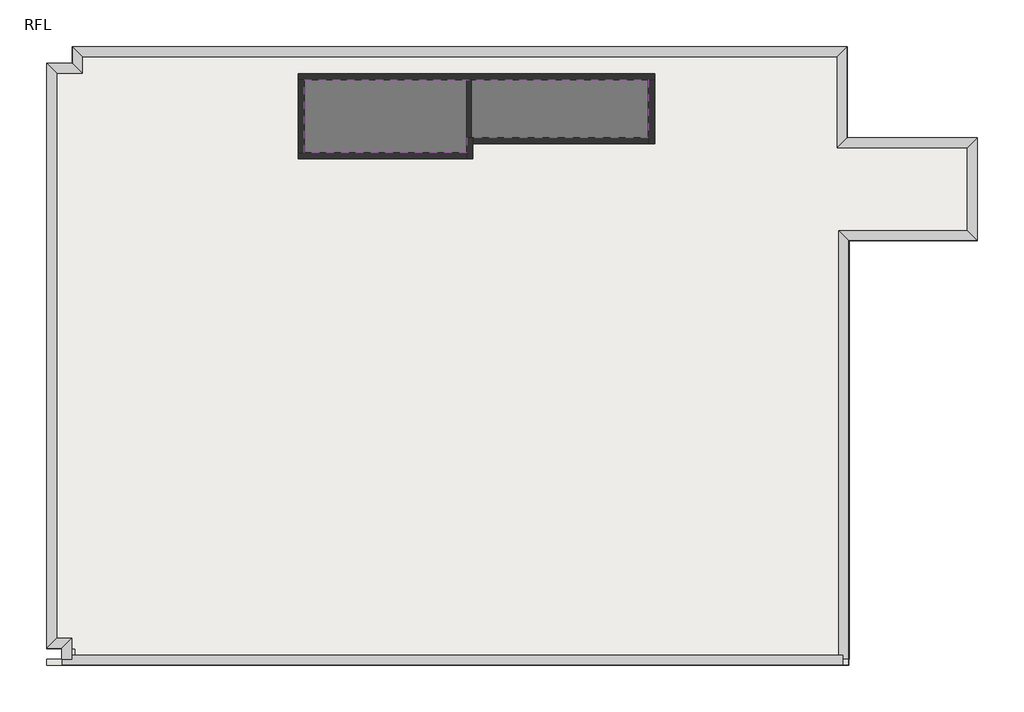
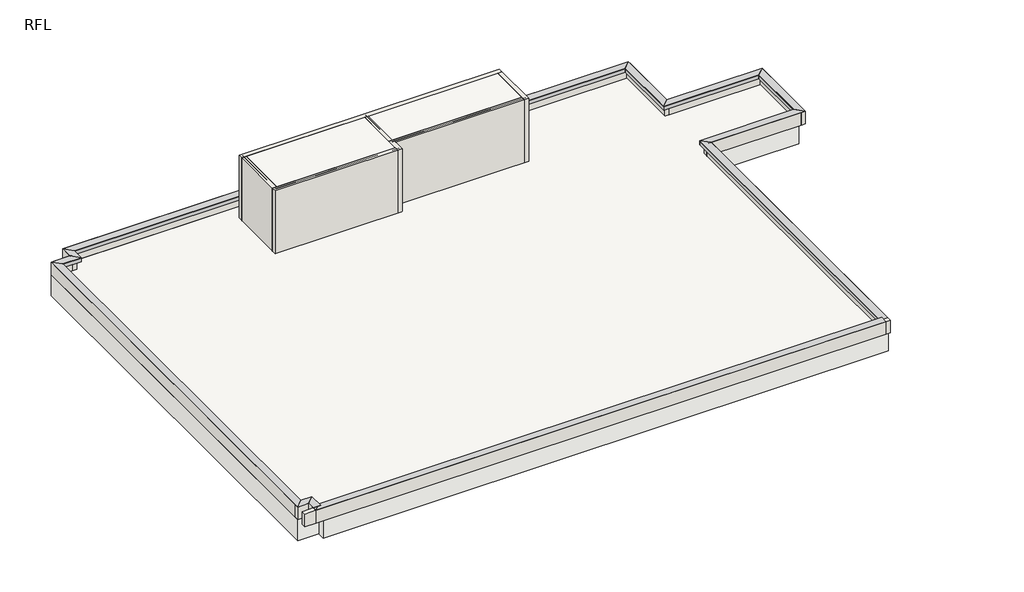
# One storey: 26 proxies, 20 walls, 2 slabs.
"""IFC4 building model written with IfcOpenShell, lengths in millimetres."""

from ifc_helpers import new_model, si_unit, frame, origin, place, context, project, spatial, polyline, outline, extrude, faceted_brep, element, save

model = new_model("IFC4")

# Units and contexts
model_context = context("Model", 3, world=origin())
ifc_project = project(units=[si_unit("LENGTHUNIT", "METRE", prefix="MILLI")], contexts=[model_context])

# Site, building, storey
site = spatial("IfcSite", under=ifc_project)
building = spatial("IfcBuilding", under=site)
storey = spatial("IfcBuildingStorey", under=building, Name="RFL", Elevation=32600.0)

# Proxies
placement = place(None, origin())
element("IfcBuildingElementProxy", 1, Name="Mass", at=placement, inside=storey, context=model_context, shape_type="SweptSolid", body=[
    extrude(outline(polyline([(-15395.9784025, 15749.6868987), (-15395.9784025, 13149.6868987), (-20945.9784025, 13149.6868987), (-20945.9784025, 15749.6868987), (-15395.9784025, 15749.6868987)])), frame((0.0, 0.0, 32600.0), z_axis=(0.0, 0.0, 1.0), x_axis=(1.0, 0.0, 0.0)), (0.0, 0.0, 1.0), 3000.0),
])
element("IfcBuildingElementProxy", 2, Name="Mass", at=placement, inside=storey, context=model_context, shape_type="SweptSolid", body=[
    extrude(outline(polyline([(-9395.9784025, 15749.6868987), (-9395.9784025, 13649.6868987), (-15395.9784025, 13649.6868987), (-15395.9784025, 15749.6868987), (-9395.9784025, 15749.6868987)])), frame((0.0, 0.0, 32600.0), z_axis=(0.0, 0.0, 1.0), x_axis=(1.0, 0.0, 0.0)), (0.0, 0.0, 1.0), 3000.0),
])
element("IfcBuildingElementProxy", 3, Name="Reveals", at=placement, inside=storey, context=model_context, shape_type="Brep", body=[
    faceted_brep([(-28165.9784025, 16419.6868987, 33170.0), (-28165.9784025, 16419.6868987, 33200.0), (-28495.9784025, 16749.6868987, 33200.0), (-3275.9784025, 16419.6868987, 33170.0), (-2945.9784025, 16749.6868987, 33200.0), (-3275.9784025, 16419.6868987, 33200.0)], [[[0, 1, 2]], [[3, 4, 5]], [[1, 0, 3, 5]], [[2, 1, 5, 4]], [[0, 2, 4, 3]]]),
])
element("IfcBuildingElementProxy", 4, Name="Wall Sweeps", at=placement, inside=storey, context=model_context, shape_type="Brep", body=[
    faceted_brep([(-28165.9784025, 16419.6868987, 33010.0), (-28165.9784025, 16419.6868987, 33170.0), (-28495.9784025, 16749.6868987, 33200.0), (-28295.9784025, 16549.6868987, 33010.0), (-3275.9784025, 16419.6868987, 33010.0), (-3145.9784025, 16549.6868987, 33010.0), (-2945.9784025, 16749.6868987, 33200.0), (-3275.9784025, 16419.6868987, 33170.0)], [[[0, 1, 2, 3]], [[4, 5, 6, 7]], [[1, 0, 4, 7]], [[2, 1, 7, 6]], [[3, 2, 6, 5]], [[0, 3, 5, 4]]]),
])
element("IfcBuildingElementProxy", 5, Name="Reveals", at=placement, inside=storey, context=model_context, shape_type="Brep", body=[
    faceted_brep([(-3275.9784025, 16419.6868987, 33170.0), (-3275.9784025, 16419.6868987, 33200.0), (-2945.9784025, 16749.6868987, 33200.0), (-3275.9784025, 13419.6868987, 33170.0), (-2945.9784025, 13749.6868987, 33200.0), (-3275.9784025, 13419.6868987, 33200.0)], [[[0, 1, 2]], [[3, 4, 5]], [[1, 0, 3, 5]], [[2, 1, 5, 4]], [[0, 2, 4, 3]]]),
])
element("IfcBuildingElementProxy", 6, Name="Wall Sweeps", at=placement, inside=storey, context=model_context, shape_type="Brep", body=[
    faceted_brep([(-3275.9784025, 16419.6868987, 33010.0), (-3275.9784025, 16419.6868987, 33170.0), (-2945.9784025, 16749.6868987, 33200.0), (-3145.9784025, 16549.6868987, 33010.0), (-3275.9784025, 13419.6868987, 33010.0), (-3145.9784025, 13549.6868987, 33010.0), (-2945.9784025, 13749.6868987, 33200.0), (-3275.9784025, 13419.6868987, 33170.0)], [[[0, 1, 2, 3]], [[4, 5, 6, 7]], [[1, 0, 4, 7]], [[2, 1, 7, 6]], [[3, 2, 6, 5]], [[0, 3, 5, 4]]]),
])
element("IfcBuildingElementProxy", 7, Name="Reveals", at=placement, inside=storey, context=model_context, shape_type="Brep", body=[
    faceted_brep([(-3275.9784025, 13419.6868987, 33170.0), (-3275.9784025, 13419.6868987, 33200.0), (-2945.9784025, 13749.6868987, 33200.0), (1024.0215975, 13419.6868987, 33170.0), (1354.0215975, 13749.6868987, 33200.0), (1024.0215975, 13419.6868987, 33200.0)], [[[0, 1, 2]], [[3, 4, 5]], [[1, 0, 3, 5]], [[2, 1, 5, 4]], [[0, 2, 4, 3]]]),
])
element("IfcBuildingElementProxy", 8, Name="Wall Sweeps", at=placement, inside=storey, context=model_context, shape_type="Brep", body=[
    faceted_brep([(-3275.9784025, 13419.6868987, 33010.0), (-3275.9784025, 13419.6868987, 33170.0), (-2945.9784025, 13749.6868987, 33200.0), (-3145.9784025, 13549.6868987, 33010.0), (1024.0215975, 13419.6868987, 33010.0), (1154.0215975, 13549.6868987, 33010.0), (1354.0215975, 13749.6868987, 33200.0), (1024.0215975, 13419.6868987, 33170.0)], [[[0, 1, 2, 3]], [[4, 5, 6, 7]], [[1, 0, 4, 7]], [[2, 1, 7, 6]], [[3, 2, 6, 5]], [[0, 3, 5, 4]]]),
])
element("IfcBuildingElementProxy", 9, Name="Reveals", at=placement, inside=storey, context=model_context, shape_type="Brep", body=[
    faceted_brep([(1024.0215975, 13419.6868987, 33170.0), (1024.0215975, 13419.6868987, 33200.0), (1354.0215975, 13749.6868987, 33200.0), (1024.0215975, 10679.6868987, 33170.0), (1354.0215975, 10349.6868987, 33200.0), (1024.0215975, 10679.6868987, 33200.0)], [[[0, 1, 2]], [[3, 4, 5]], [[1, 0, 3, 5]], [[2, 1, 5, 4]], [[0, 2, 4, 3]]]),
])
element("IfcBuildingElementProxy", 10, Name="Wall Sweeps", at=placement, inside=storey, context=model_context, shape_type="Brep", body=[
    faceted_brep([(1024.0215975, 13419.6868987, 33010.0), (1024.0215975, 13419.6868987, 33170.0), (1354.0215975, 13749.6868987, 33200.0), (1154.0215975, 13549.6868987, 33010.0), (1024.0215975, 10679.6868987, 33010.0), (1154.0215975, 10549.6868987, 33010.0), (1354.0215975, 10349.6868987, 33200.0), (1024.0215975, 10679.6868987, 33170.0)], [[[0, 1, 2, 3]], [[4, 5, 6, 7]], [[1, 0, 4, 7]], [[2, 1, 7, 6]], [[3, 2, 6, 5]], [[0, 3, 5, 4]]]),
])
element("IfcBuildingElementProxy", 11, Name="Reveals", at=placement, inside=storey, context=model_context, shape_type="Brep", body=[
    faceted_brep([(1024.0215975, 10679.6868987, 33170.0), (1024.0215975, 10679.6868987, 33200.0), (1354.0215975, 10349.6868987, 33200.0), (-3225.9784025, 10679.6868987, 33170.0), (-2895.9784025, 10349.6868987, 33200.0), (-3225.9784025, 10679.6868987, 33200.0)], [[[0, 1, 2]], [[3, 4, 5]], [[1, 0, 3, 5]], [[2, 1, 5, 4]], [[0, 2, 4, 3]]]),
])
element("IfcBuildingElementProxy", 12, Name="Wall Sweeps", at=placement, inside=storey, context=model_context, shape_type="Brep", body=[
    faceted_brep([(1024.0215975, 10679.6868987, 33010.0), (1024.0215975, 10679.6868987, 33170.0), (1354.0215975, 10349.6868987, 33200.0), (1154.0215975, 10549.6868987, 33010.0), (-3225.9784025, 10679.6868987, 33010.0), (-3095.9784025, 10549.6868987, 33010.0), (-2895.9784025, 10349.6868987, 33200.0), (-3225.9784025, 10679.6868987, 33170.0)], [[[0, 1, 2, 3]], [[4, 5, 6, 7]], [[1, 0, 4, 7]], [[2, 1, 7, 6]], [[3, 2, 6, 5]], [[0, 3, 5, 4]]]),
])
element("IfcBuildingElementProxy", 13, Name="Reveals", at=placement, inside=storey, context=model_context, shape_type="Brep", body=[
    faceted_brep([(-3225.9784025, 10679.6868987, 33170.0), (-3225.9784025, 10679.6868987, 33200.0), (-2895.9784025, 10349.6868987, 33200.0), (-3225.9784025, -3450.3131013, 33170.0), (-2895.9784025, -3450.3131013, 33200.0), (-3225.9784025, -3450.3131013, 33200.0)], [[[0, 1, 2]], [[3, 4, 5]], [[1, 0, 3, 5]], [[2, 1, 5, 4]], [[0, 2, 4, 3]]]),
])
element("IfcBuildingElementProxy", 14, Name="Wall Sweeps", at=placement, inside=storey, context=model_context, shape_type="Brep", body=[
    faceted_brep([(-3225.9784025, 10679.6868987, 33010.0), (-3225.9784025, 10679.6868987, 33170.0), (-2895.9784025, 10349.6868987, 33200.0), (-3095.9784025, 10549.6868987, 33010.0), (-3225.9784025, -3320.3131013, 33010.0), (-3095.9784025, -3450.3131013, 33010.0), (-2895.9784025, -3650.3131013, 33200.0), (-3225.9784025, -3320.3131013, 33170.0), (-2895.9784025, -3450.3131013, 33200.0)], [[[0, 1, 2, 3]], [[4, 5, 6, 7]], [[1, 0, 4, 7]], [[2, 1, 7, 6, 8]], [[3, 2, 8, 6, 5]], [[0, 3, 5, 4]]]),
])
element("IfcBuildingElementProxy", 15, Name="Reveals", at=placement, inside=storey, context=model_context, shape_type="SweptSolid", body=[
    extrude(outline(polyline([(-3320.3131013, 33170.0), (-3650.3131013, 33200.0), (-3320.3131013, 33200.0), (-3320.3131013, 33170.0)])), frame((-28845.9784025, 0.0, 0.0), z_axis=(1.0, 0.0, 0.0), x_axis=(0.0, 1.0, 0.0)), (0.0, 0.0, 1.0), 25750.0),
])
element("IfcBuildingElementProxy", 16, Name="Wall Sweeps", at=placement, inside=storey, context=model_context, shape_type="Brep", body=[
    faceted_brep([(-3225.9784025, -3320.3131013, 33010.0), (-3225.9784025, -3320.3131013, 33170.0), (-2895.9784025, -3650.3131013, 33200.0), (-3095.9784025, -3450.3131013, 33010.0), (-28515.9784025, -3320.3131013, 33010.0), (-28645.9784025, -3450.3131013, 33010.0), (-28845.9784025, -3650.3131013, 33200.0), (-28515.9784025, -3320.3131013, 33170.0)], [[[0, 1, 2, 3]], [[4, 5, 6, 7]], [[1, 0, 4, 7]], [[2, 1, 7, 6]], [[3, 2, 6, 5]], [[0, 3, 5, 4]]]),
])
element("IfcBuildingElementProxy", 17, Name="Reveals", at=placement, inside=storey, context=model_context, shape_type="Brep", body=[
    faceted_brep([(-28515.9784025, -3450.3131013, 33170.0), (-28515.9784025, -3450.3131013, 33200.0), (-28845.9784025, -3450.3131013, 33200.0), (-28515.9784025, -2765.3131013, 33170.0), (-28845.9784025, -3095.3131013, 33200.0), (-28515.9784025, -2765.3131013, 33200.0)], [[[0, 1, 2]], [[3, 4, 5]], [[1, 0, 3, 5]], [[2, 1, 5, 4]], [[0, 2, 4, 3]]]),
])
element("IfcBuildingElementProxy", 18, Name="Wall Sweeps", at=placement, inside=storey, context=model_context, shape_type="Brep", body=[
    faceted_brep([(-28515.9784025, -3320.3131013, 33010.0), (-28515.9784025, -3320.3131013, 33170.0), (-28845.9784025, -3650.3131013, 33200.0), (-28645.9784025, -3450.3131013, 33010.0), (-28515.9784025, -2765.3131013, 33010.0), (-28645.9784025, -2895.3131013, 33010.0), (-28845.9784025, -3095.3131013, 33200.0), (-28515.9784025, -2765.3131013, 33170.0)], [[[0, 1, 2, 3]], [[4, 5, 6, 7]], [[1, 0, 4, 7]], [[2, 1, 7, 6]], [[3, 2, 6, 5]], [[0, 3, 5, 4]]]),
])
element("IfcBuildingElementProxy", 19, Name="Reveals", at=placement, inside=storey, context=model_context, shape_type="Brep", body=[
    faceted_brep([(-28515.9784025, -2765.3131013, 33170.0), (-28515.9784025, -2765.3131013, 33200.0), (-28845.9784025, -3095.3131013, 33200.0), (-29015.9784025, -2765.3131013, 33170.0), (-29345.9784025, -3095.3131013, 33200.0), (-29015.9784025, -2765.3131013, 33200.0)], [[[0, 1, 2]], [[3, 4, 5]], [[1, 0, 3, 5]], [[2, 1, 5, 4]], [[0, 2, 4, 3]]]),
])
element("IfcBuildingElementProxy", 20, Name="Wall Sweeps", at=placement, inside=storey, context=model_context, shape_type="Brep", body=[
    faceted_brep([(-28515.9784025, -2765.3131013, 33010.0), (-28515.9784025, -2765.3131013, 33170.0), (-28845.9784025, -3095.3131013, 33200.0), (-28645.9784025, -2895.3131013, 33010.0), (-29015.9784025, -2765.3131013, 33010.0), (-29145.9784025, -2895.3131013, 33010.0), (-29345.9784025, -3095.3131013, 33200.0), (-29015.9784025, -2765.3131013, 33170.0)], [[[0, 1, 2, 3]], [[4, 5, 6, 7]], [[1, 0, 4, 7]], [[2, 1, 7, 6]], [[3, 2, 6, 5]], [[0, 3, 5, 4]]]),
])
element("IfcBuildingElementProxy", 21, Name="Reveals", at=placement, inside=storey, context=model_context, shape_type="Brep", body=[
    faceted_brep([(-29015.9784025, -2765.3131013, 33170.0), (-29015.9784025, -2765.3131013, 33200.0), (-29345.9784025, -3095.3131013, 33200.0), (-29015.9784025, 15869.6868987, 33170.0), (-29345.9784025, 16199.6868987, 33200.0), (-29015.9784025, 15869.6868987, 33200.0)], [[[0, 1, 2]], [[3, 4, 5]], [[1, 0, 3, 5]], [[2, 1, 5, 4]], [[0, 2, 4, 3]]]),
])
element("IfcBuildingElementProxy", 22, Name="Wall Sweeps", at=placement, inside=storey, context=model_context, shape_type="Brep", body=[
    faceted_brep([(-29015.9784025, -2765.3131013, 33010.0), (-29015.9784025, -2765.3131013, 33170.0), (-29345.9784025, -3095.3131013, 33200.0), (-29145.9784025, -2895.3131013, 33010.0), (-29015.9784025, 15869.6868987, 33010.0), (-29145.9784025, 15999.6868987, 33010.0), (-29345.9784025, 16199.6868987, 33200.0), (-29015.9784025, 15869.6868987, 33170.0)], [[[0, 1, 2, 3]], [[4, 5, 6, 7]], [[1, 0, 4, 7]], [[2, 1, 7, 6]], [[3, 2, 6, 5]], [[0, 3, 5, 4]]]),
])
element("IfcBuildingElementProxy", 23, Name="Reveals", at=placement, inside=storey, context=model_context, shape_type="Brep", body=[
    faceted_brep([(-29015.9784025, 15869.6868987, 33170.0), (-29015.9784025, 15869.6868987, 33200.0), (-29345.9784025, 16199.6868987, 33200.0), (-28165.9784025, 15869.6868987, 33170.0), (-28495.9784025, 16199.6868987, 33200.0), (-28165.9784025, 15869.6868987, 33200.0)], [[[0, 1, 2]], [[3, 4, 5]], [[1, 0, 3, 5]], [[2, 1, 5, 4]], [[0, 2, 4, 3]]]),
])
element("IfcBuildingElementProxy", 24, Name="Wall Sweeps", at=placement, inside=storey, context=model_context, shape_type="Brep", body=[
    faceted_brep([(-29015.9784025, 15869.6868987, 33010.0), (-29015.9784025, 15869.6868987, 33170.0), (-29345.9784025, 16199.6868987, 33200.0), (-29145.9784025, 15999.6868987, 33010.0), (-28165.9784025, 15869.6868987, 33010.0), (-28295.9784025, 15999.6868987, 33010.0), (-28495.9784025, 16199.6868987, 33200.0), (-28165.9784025, 15869.6868987, 33170.0)], [[[0, 1, 2, 3]], [[4, 5, 6, 7]], [[1, 0, 4, 7]], [[2, 1, 7, 6]], [[3, 2, 6, 5]], [[0, 3, 5, 4]]]),
])
element("IfcBuildingElementProxy", 25, Name="Reveals", at=placement, inside=storey, context=model_context, shape_type="Brep", body=[
    faceted_brep([(-28165.9784025, 15869.6868987, 33170.0), (-28165.9784025, 15869.6868987, 33200.0), (-28495.9784025, 16199.6868987, 33200.0), (-28165.9784025, 16419.6868987, 33170.0), (-28495.9784025, 16749.6868987, 33200.0), (-28165.9784025, 16419.6868987, 33200.0)], [[[0, 1, 2]], [[3, 4, 5]], [[1, 0, 3, 5]], [[2, 1, 5, 4]], [[0, 2, 4, 3]]]),
])
element("IfcBuildingElementProxy", 26, Name="Wall Sweeps", at=placement, inside=storey, context=model_context, shape_type="Brep", body=[
    faceted_brep([(-28165.9784025, 15869.6868987, 33010.0), (-28165.9784025, 15869.6868987, 33170.0), (-28495.9784025, 16199.6868987, 33200.0), (-28295.9784025, 15999.6868987, 33010.0), (-28165.9784025, 16419.6868987, 33010.0), (-28295.9784025, 16549.6868987, 33010.0), (-28495.9784025, 16749.6868987, 33200.0), (-28165.9784025, 16419.6868987, 33170.0)], [[[0, 1, 2, 3]], [[4, 5, 6, 7]], [[1, 0, 4, 7]], [[2, 1, 7, 6]], [[3, 2, 6, 5]], [[0, 3, 5, 4]]]),
])

# Slabs
element("IfcSlab", 27, at=placement, inside=storey, context=model_context, shape_type="SweptSolid", body=[
    extrude(outline(polyline([(-3145.9784025, 16549.6868987), (-3145.9784025, 13549.6868987), (1154.0215975, 13549.6868987), (1154.0215975, 10549.6868987), (-2870.9784025, 10549.6868987), (-2870.9784025, -3450.3131013), (-28395.9784025, -3450.3131013), (-28395.9784025, -3105.3131013), (-29345.9784025, -3105.3131013), (-29345.9784025, 16194.6868987), (-28395.9784025, 16194.6868987), (-28395.9784025, 16549.6868987), (-3145.9784025, 16549.6868987)])), frame((0.0, 0.0, 31600.0), z_axis=(0.0, 0.0, 1.0), x_axis=(1.0, 0.0, 0.0)), (0.0, 0.0, 1.0), 1000.0),
])
element("IfcSlab", 28, ObjectType="RC150", at=placement, inside=storey, context=model_context, shape_type="SweptSolid", body=[
    extrude(outline(polyline([(-9495.9784025, 15649.6868987), (-9495.9784025, 13749.6868987), (-15495.9784025, 13749.6868987), (-15495.9784025, 13249.6868987), (-20845.9784025, 13249.6868987), (-20845.9784025, 15649.6868987), (-9495.9784025, 15649.6868987)])), frame((0.0, 0.0, 35450.0), z_axis=(0.0, 0.0, 1.0), x_axis=(1.0, 0.0, 0.0)), (0.0, 0.0, 1.0), 150.0),
])

# Walls
element("IfcWall", 29, at=placement, inside=storey, context=model_context, shape_type="Brep", body=[
    faceted_brep([(-21045.9784025, 15649.6868987, 32600.0), (-20845.9784025, 15649.6868987, 32600.0), (-15495.9784025, 15649.6868987, 32600.0), (-15345.9784025, 15649.6868987, 32600.0), (-9495.9784025, 15649.6868987, 32600.0), (-9295.9784025, 15649.6868987, 32600.0), (-9295.9784025, 15649.6868987, 35600.0), (-9495.9784025, 15649.6868987, 35600.0), (-15345.9784025, 15649.6868987, 35600.0), (-15495.9784025, 15649.6868987, 35600.0), (-20845.9784025, 15649.6868987, 35600.0), (-21045.9784025, 15649.6868987, 35600.0), (-21045.9784025, 15849.6868987, 32600.0), (-21045.9784025, 15849.6868987, 35600.0), (-9295.9784025, 15849.6868987, 35600.0), (-9295.9784025, 15849.6868987, 32600.0)], [[[0, 1, 2, 3, 4, 5, 6, 7, 8, 9, 10, 11]], [[12, 13, 14, 15]], [[5, 4, 3, 2, 1, 0, 12, 15]], [[11, 10, 9, 8, 7, 6, 14, 13]], [[6, 5, 15, 14]], [[0, 11, 13, 12]]]),
])
element("IfcWall", 30, at=placement, inside=storey, context=model_context, shape_type="Brep", body=[
    faceted_brep([(-9495.9784025, 15649.6868987, 32600.0), (-9495.9784025, 13749.6868987, 32600.0), (-9495.9784025, 13549.6868987, 32600.0), (-9495.9784025, 13549.6868987, 35600.0), (-9495.9784025, 13749.6868987, 35600.0), (-9495.9784025, 15649.6868987, 35600.0), (-9295.9784025, 15649.6868987, 32600.0), (-9295.9784025, 15649.6868987, 35600.0), (-9295.9784025, 13549.6868987, 35600.0), (-9295.9784025, 13549.6868987, 32600.0)], [[[0, 1, 2, 3, 4, 5]], [[6, 7, 8, 9]], [[2, 1, 0, 6, 9]], [[5, 4, 3, 8, 7]], [[0, 5, 7, 6]], [[3, 2, 9, 8]]]),
])
element("IfcWall", 31, at=placement, inside=storey, context=model_context, shape_type="SweptSolid", body=[
    extrude(outline(polyline([(-15295.9784025, 13749.6868987), (-9495.9784025, 13749.6868987), (-9495.9784025, 13549.6868987), (-15295.9784025, 13549.6868987), (-15295.9784025, 13749.6868987)])), frame((0.0, 0.0, 32600.0), z_axis=(0.0, 0.0, 1.0), x_axis=(1.0, 0.0, 0.0)), (0.0, 0.0, 1.0), 3000.0),
])
element("IfcWall", 32, at=placement, inside=storey, context=model_context, shape_type="Brep", body=[
    faceted_brep([(-15495.9784025, 13749.6868987, 32600.0), (-15495.9784025, 13249.6868987, 32600.0), (-15495.9784025, 13049.6868987, 32600.0), (-15495.9784025, 13049.6868987, 35600.0), (-15495.9784025, 13249.6868987, 35600.0), (-15495.9784025, 13749.6868987, 35600.0), (-15295.9784025, 13749.6868987, 32600.0), (-15295.9784025, 13749.6868987, 35600.0), (-15295.9784025, 13549.6868987, 35600.0), (-15295.9784025, 13049.6868987, 35600.0), (-15295.9784025, 13049.6868987, 32600.0), (-15295.9784025, 13549.6868987, 32600.0), (-15345.9784025, 13749.6868987, 32600.0), (-15345.9784025, 13749.6868987, 35600.0)], [[[0, 1, 2, 3, 4, 5]], [[6, 7, 8, 9, 10, 11]], [[2, 1, 0, 12, 6, 11, 10]], [[5, 4, 3, 9, 8, 7, 13]], [[0, 5, 13, 7, 6, 12]], [[3, 2, 10, 9]]]),
])
element("IfcWall", 33, at=placement, inside=storey, context=model_context, shape_type="Brep", body=[
    faceted_brep([(-15495.9784025, 13249.6868987, 32600.0), (-20845.9784025, 13249.6868987, 32600.0), (-21045.9784025, 13249.6868987, 32600.0), (-21045.9784025, 13249.6868987, 35600.0), (-20845.9784025, 13249.6868987, 35600.0), (-15495.9784025, 13249.6868987, 35600.0), (-15495.9784025, 13049.6868987, 32600.0), (-15495.9784025, 13049.6868987, 35600.0), (-21045.9784025, 13049.6868987, 35600.0), (-21045.9784025, 13049.6868987, 32600.0)], [[[0, 1, 2, 3, 4, 5]], [[6, 7, 8, 9]], [[2, 1, 0, 6, 9]], [[5, 4, 3, 8, 7]], [[0, 5, 7, 6]], [[3, 2, 9, 8]]]),
])
element("IfcWall", 34, at=placement, inside=storey, context=model_context, shape_type="SweptSolid", body=[
    extrude(outline(polyline([(-20845.9784025, 15649.6868987), (-20845.9784025, 13249.6868987), (-21045.9784025, 13249.6868987), (-21045.9784025, 15649.6868987), (-20845.9784025, 15649.6868987)])), frame((0.0, 0.0, 32600.0), z_axis=(0.0, 0.0, 1.0), x_axis=(1.0, 0.0, 0.0)), (0.0, 0.0, 1.0), 3000.0),
])
element("IfcWall", 35, at=placement, inside=storey, context=model_context, shape_type="SweptSolid", body=[
    extrude(outline(polyline([(-15345.9784025, 15649.6868987), (-15345.9784025, 13749.6868987), (-15495.9784025, 13749.6868987), (-15495.9784025, 15649.6868987), (-15345.9784025, 15649.6868987)])), frame((0.0, 0.0, 32600.0), z_axis=(0.0, 0.0, 1.0), x_axis=(1.0, 0.0, 0.0)), (0.0, 0.0, 1.0), 3000.0),
])
element("IfcWall", 36, at=placement, inside=storey, context=model_context, shape_type="Brep", body=[
    faceted_brep([(-28295.9784025, 16549.6868987, 32600.0), (-3145.9784025, 16549.6868987, 32600.0), (-2945.9784025, 16549.6868987, 32600.0), (-2945.9784025, 16549.6868987, 33200.0), (-3145.9784025, 16549.6868987, 33010.0), (-28295.9784025, 16549.6868987, 33010.0), (-2945.9784025, 16749.6868987, 32600.0), (-28295.9784025, 16749.6868987, 32600.0), (-28295.9784025, 16749.6868987, 33200.0), (-2945.9784025, 16749.6868987, 33200.0)], [[[0, 1, 2, 3, 4, 5]], [[6, 7, 8, 9]], [[2, 1, 0, 7, 6]], [[4, 9, 8, 5]], [[3, 2, 6, 9]], [[9, 4, 3]], [[8, 7, 0, 5]]]),
])
element("IfcWall", 37, at=placement, inside=storey, context=model_context, shape_type="Brep", body=[
    faceted_brep([(-3145.9784025, 16549.6868987, 32600.0), (-3145.9784025, 13549.6868987, 32600.0), (-3145.9784025, 13549.6868987, 33010.0), (-3145.9784025, 16549.6868987, 33010.0), (-2945.9784025, 13549.6868987, 32600.0), (-2945.9784025, 13749.6868987, 32600.0), (-2945.9784025, 16549.6868987, 32600.0), (-2945.9784025, 16549.6868987, 33200.0), (-2945.9784025, 13749.6868987, 33200.0), (-2945.9784025, 13549.6868987, 33010.0)], [[[0, 1, 2, 3]], [[4, 5, 6, 7, 8, 9]], [[1, 0, 6, 5, 4]], [[2, 8, 7, 3]], [[7, 6, 0, 3]], [[1, 4, 9, 2]], [[8, 2, 9]]]),
])
element("IfcWall", 38, at=placement, inside=storey, context=model_context, shape_type="Brep", body=[
    faceted_brep([(-2945.9784025, 13549.6868987, 32600.0), (1154.0215975, 13549.6868987, 32600.0), (1354.0215975, 13549.6868987, 32600.0), (1354.0215975, 13549.6868987, 33200.0), (1154.0215975, 13549.6868987, 33010.0), (-2945.9784025, 13549.6868987, 33010.0), (1354.0215975, 13749.6868987, 32600.0), (-2945.9784025, 13749.6868987, 32600.0), (-2945.9784025, 13749.6868987, 33200.0), (1354.0215975, 13749.6868987, 33200.0)], [[[0, 1, 2, 3, 4, 5]], [[6, 7, 8, 9]], [[2, 1, 0, 7, 6]], [[4, 9, 8, 5]], [[8, 7, 0, 5]], [[3, 2, 6, 9]], [[9, 4, 3]]]),
])
element("IfcWall", 39, at=placement, inside=storey, context=model_context, shape_type="Brep", body=[
    faceted_brep([(1154.0215975, 13549.6868987, 32600.0), (1154.0215975, 10549.6868987, 32600.0), (1154.0215975, 10349.6868987, 32600.0), (1154.0215975, 10349.6868987, 33200.0), (1154.0215975, 10549.6868987, 33010.0), (1154.0215975, 13549.6868987, 33010.0), (1354.0215975, 10349.6868987, 32600.0), (1354.0215975, 13549.6868987, 32600.0), (1354.0215975, 13549.6868987, 33200.0), (1354.0215975, 10349.6868987, 33200.0)], [[[0, 1, 2, 3, 4, 5]], [[6, 7, 8, 9]], [[2, 1, 0, 7, 6]], [[4, 9, 8, 5]], [[8, 7, 0, 5]], [[3, 2, 6, 9]], [[9, 4, 3]]]),
])
element("IfcWall", 40, at=placement, inside=storey, context=model_context, shape_type="Brep", body=[
    faceted_brep([(1154.0215975, 10549.6868987, 32600.0), (-3095.9784025, 10549.6868987, 32600.0), (-3095.9784025, 10549.6868987, 33010.0), (1154.0215975, 10549.6868987, 33010.0), (-3095.9784025, 10349.6868987, 32600.0), (-2895.9784025, 10349.6868987, 32600.0), (1154.0215975, 10349.6868987, 32600.0), (1154.0215975, 10349.6868987, 33200.0), (-2895.9784025, 10349.6868987, 33200.0), (-3095.9784025, 10349.6868987, 33010.0)], [[[0, 1, 2, 3]], [[4, 5, 6, 7, 8, 9]], [[1, 0, 6, 5, 4]], [[2, 8, 7, 3]], [[7, 6, 0, 3]], [[1, 4, 9, 2]], [[8, 2, 9]]]),
])
element("IfcWall", 41, at=placement, inside=storey, context=model_context, shape_type="Brep", body=[
    faceted_brep([(-3095.9784025, -3450.3131013, 33200.0), (-3095.9784025, -3450.3131013, 33181.8181818), (-3095.9784025, -3650.3131013, 33200.0), (-3095.9784025, 10349.6868987, 32600.0), (-3095.9784025, -3450.3131013, 32600.0), (-3095.9784025, -3650.3131013, 32600.0), (-3095.9784025, -3450.3131013, 33010.0), (-3095.9784025, 10349.6868987, 33010.0), (-2895.9784025, -3650.3131013, 32600.0), (-2895.9784025, -3450.3131013, 32600.0), (-2895.9784025, 10349.6868987, 32600.0), (-2895.9784025, 10349.6868987, 33200.0), (-2895.9784025, -3450.3131013, 33200.0), (-2895.9784025, -3650.3131013, 33200.0), (-2895.9784025, -3650.3131013, 33200.0)], [[[0, 1, 2]], [[3, 4, 5, 2, 6, 7]], [[8, 9, 10, 11, 12, 13]], [[5, 4, 3, 10, 9, 8]], [[12, 0, 2, 13]], [[1, 0, 12]], [[14, 1, 12]], [[6, 14, 12, 11, 7]], [[11, 10, 3, 7]], [[2, 5, 8, 13]], [[14, 2, 1]], [[14, 6, 2]]]),
])
element("IfcWall", 42, at=placement, inside=storey, context=model_context, shape_type="Brep", body=[
    faceted_brep([(-3095.9784025, -3450.3131013, 32600.0), (-28645.9784025, -3450.3131013, 32600.0), (-28845.9784025, -3450.3131013, 32600.0), (-28845.9784025, -3450.3131013, 33181.8181818), (-28826.8396465, -3450.3131013, 33181.8181818), (-28645.9784025, -3450.3131013, 33010.0), (-3095.9784025, -3450.3131013, 33010.0), (-28845.9784025, -3650.3131013, 32600.0), (-3095.9784025, -3650.3131013, 32600.0), (-3095.9784025, -3650.3131013, 33200.0), (-28845.9784025, -3650.3131013, 33200.0)], [[[0, 1, 2, 3, 4, 5, 6]], [[7, 8, 9, 10]], [[2, 1, 0, 8, 7]], [[3, 10, 4]], [[5, 10, 9, 6]], [[9, 8, 0, 6]], [[10, 5, 4]], [[2, 7, 10, 3]]]),
])
element("IfcWall", 43, at=placement, inside=storey, context=model_context, shape_type="Brep", body=[
    faceted_brep([(-28645.9784025, -3450.3131013, 32600.0), (-28645.9784025, -2895.3131013, 32600.0), (-28645.9784025, -2895.3131013, 33010.0), (-28645.9784025, -3450.3131013, 33010.0), (-28845.9784025, -2895.3131013, 32600.0), (-28845.9784025, -3095.3131013, 32600.0), (-28845.9784025, -3450.3131013, 32600.0), (-28845.9784025, -3450.3131013, 33181.8181818), (-28845.9784025, -3320.3131013, 33170.0), (-28845.9784025, -3320.3131013, 33200.0), (-28845.9784025, -3095.3131013, 33200.0), (-28845.9784025, -2895.3131013, 33010.0), (-28814.3994551, -3320.3131013, 33170.0), (-28826.8396465, -3450.3131013, 33181.8181818)], [[[0, 1, 2, 3]], [[4, 5, 6, 7, 8, 9, 10, 11]], [[1, 0, 6, 5, 4]], [[3, 2, 10, 9, 12, 13]], [[1, 4, 11, 2]], [[10, 2, 11]], [[6, 0, 3, 13, 7]], [[8, 12, 9]], [[12, 8, 7, 13]]]),
])
element("IfcWall", 44, at=placement, inside=storey, context=model_context, shape_type="Brep", body=[
    faceted_brep([(-28845.9784025, -2895.3131013, 32600.0), (-29145.9784025, -2895.3131013, 32600.0), (-29345.9784025, -2895.3131013, 32600.0), (-29345.9784025, -2895.3131013, 33200.0), (-29145.9784025, -2895.3131013, 33010.0), (-28845.9784025, -2895.3131013, 33010.0), (-29345.9784025, -3095.3131013, 32600.0), (-28845.9784025, -3095.3131013, 32600.0), (-28845.9784025, -3095.3131013, 33200.0), (-29345.9784025, -3095.3131013, 33200.0)], [[[0, 1, 2, 3, 4, 5]], [[6, 7, 8, 9]], [[2, 1, 0, 7, 6]], [[4, 9, 8, 5]], [[8, 7, 0, 5]], [[3, 2, 6, 9]], [[9, 4, 3]]]),
])
element("IfcWall", 45, at=placement, inside=storey, context=model_context, shape_type="Brep", body=[
    faceted_brep([(-29145.9784025, -2895.3131013, 32600.0), (-29145.9784025, 15999.6868987, 32600.0), (-29145.9784025, 16199.6868987, 32600.0), (-29145.9784025, 16199.6868987, 33200.0), (-29145.9784025, 15999.6868987, 33010.0), (-29145.9784025, -2895.3131013, 33010.0), (-29345.9784025, 16199.6868987, 32600.0), (-29345.9784025, -2895.3131013, 32600.0), (-29345.9784025, -2895.3131013, 33200.0), (-29345.9784025, 16199.6868987, 33200.0)], [[[0, 1, 2, 3, 4, 5]], [[6, 7, 8, 9]], [[2, 1, 0, 7, 6]], [[4, 9, 8, 5]], [[8, 7, 0, 5]], [[3, 2, 6, 9]], [[9, 4, 3]]]),
])
element("IfcWall", 46, at=placement, inside=storey, context=model_context, shape_type="SweptSolid", body=[
    extrude(outline(polyline([(16199.6868987, 33200.0), (16199.6868987, 32600.0), (15999.6868987, 32600.0), (15999.6868987, 33010.0), (16199.6868987, 33200.0)])), frame((-29145.9784025, 0.0, 0.0), z_axis=(1.0, 0.0, 0.0), x_axis=(0.0, 1.0, 0.0)), (0.0, 0.0, 1.0), 650.0),
])
element("IfcWall", 47, at=placement, inside=storey, context=model_context, shape_type="Brep", body=[
    faceted_brep([(-28295.9784025, 15999.6868987, 32600.0), (-28295.9784025, 16549.6868987, 32600.0), (-28295.9784025, 16749.6868987, 32600.0), (-28295.9784025, 16749.6868987, 33200.0), (-28295.9784025, 16549.6868987, 33010.0), (-28295.9784025, 15999.6868987, 33010.0), (-28495.9784025, 16749.6868987, 32600.0), (-28495.9784025, 16199.6868987, 32600.0), (-28495.9784025, 15999.6868987, 32600.0), (-28495.9784025, 15999.6868987, 33010.0), (-28495.9784025, 16199.6868987, 33200.0), (-28495.9784025, 16749.6868987, 33200.0)], [[[0, 1, 2, 3, 4, 5]], [[6, 7, 8, 9, 10, 11]], [[2, 1, 0, 8, 7, 6]], [[10, 5, 4, 11]], [[3, 2, 6, 11]], [[8, 0, 5, 9]], [[5, 10, 9]], [[11, 4, 3]]]),
])
element("IfcWall", 48, at=placement, inside=storey, context=model_context, shape_type="SweptSolid", body=[
    extrude(outline(polyline([(-29345.9784025, -3450.3131013), (-28845.9784025, -3450.3131013), (-28845.9784025, -3650.3131013), (-29345.9784025, -3650.3131013), (-29345.9784025, -3450.3131013)])), frame((0.0, 0.0, 32600.0), z_axis=(0.0, 0.0, 1.0), x_axis=(1.0, 0.0, 0.0)), (0.0, 0.0, 1.0), 600.0),
])

save(model, "model.ifc")
